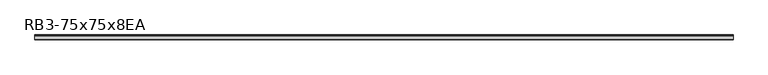
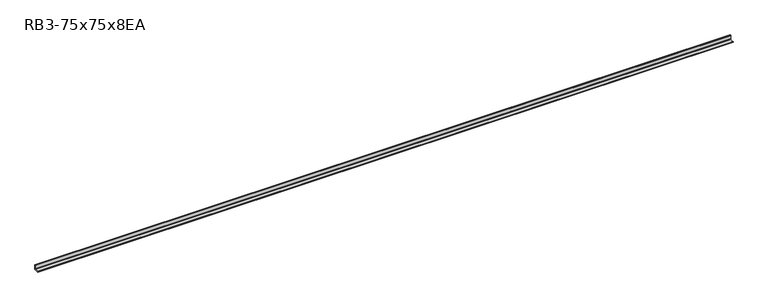
"""IFC4 building model written with IfcOpenShell, lengths in millimetres: member geometry, RB3-75x75x8EA."""

from ifc_helpers import new_model, si_unit, point, frame, frame_2d, origin, place, context, project, spatial, polyline, circle_curve, trimmed, segment, composite_curve, outline, extrude, source, transform, mapped, element, save


def rb3_75x75x8ea_f0fb4cc3(model_context):
    return source(origin(), model_context, "Body", "SweptSolid", [
        extrude(outline(composite_curve([segment(polyline([(21.3, -21.3), (-53.7, -21.3), (-53.7, -18.3)]), True, "CONTINUOUS"), segment(trimmed(circle_curve(frame_2d((-48.7, -18.3)), 5.0), [point((-53.7, -18.3))], [point((-48.7, -13.3))], False, "CARTESIAN"), True, "CONTINUOUS"), segment(polyline([(-48.7, -13.3), (5.3, -13.3)]), True, "CONTINUOUS"), segment(trimmed(circle_curve(frame_2d((5.3, -5.3)), 8.0), [point((5.3, -13.3))], [point((13.3, -5.3))], True, "CARTESIAN"), True, "CONTINUOUS"), segment(polyline([(13.3, -5.3), (13.3, 48.7)]), True, "CONTINUOUS"), segment(trimmed(circle_curve(frame_2d((18.3, 48.7)), 5.0), [point((13.3, 48.7))], [point((18.3, 53.7))], False, "CARTESIAN"), True, "CONTINUOUS"), segment(polyline([(18.3, 53.7), (21.3, 53.7), (21.3, -21.3)]), True, "CONTINUOUS")], self_intersect=False)), frame((-5366.5, 0.0, 0.0), z_axis=(1.0, 0.0, 0.0), x_axis=(0.0, 1.0, 0.0)), (0.0, 0.0, 1.0), 10723.0),
    ])


if __name__ == "__main__":
    model = new_model("IFC4")
    model_context = context("Model", 3, world=origin())
    ifc_project = project(units=[si_unit("LENGTHUNIT", "METRE", prefix="MILLI")], contexts=[model_context])
    site = spatial("IfcSite", under=ifc_project)
    building = spatial("IfcBuilding", under=site)
    placement = place(None, origin())
    rb3_75x75x8ea_shape = rb3_75x75x8ea_f0fb4cc3(model_context)
    element("IfcMember", 1, ObjectType="RB3-75x75x8EA", at=placement, inside=building, context=model_context, shape_type="MappedRepresentation", body=[
        mapped(rb3_75x75x8ea_shape, transform((0.0, 0.0, 0.0), x_axis=(1.0, 0.0, 0.0), y_axis=(0.0, 1.0, 0.0), z_axis=(0.0, 0.0, 1.0))),
    ])
    save(model, "model.ifc")
